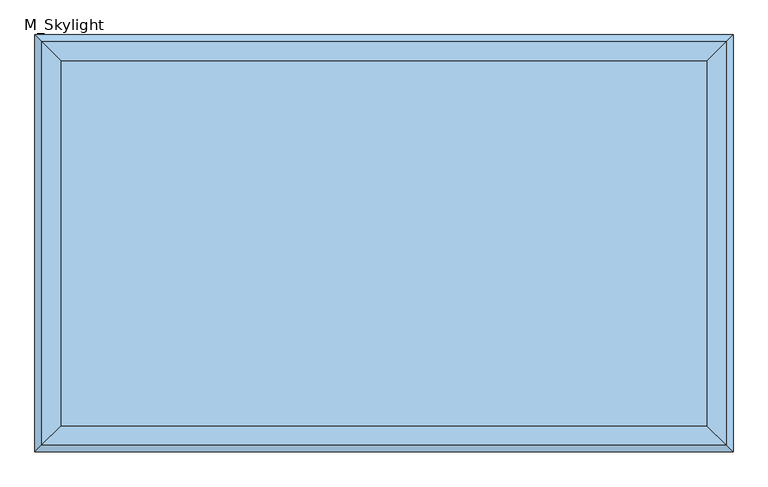
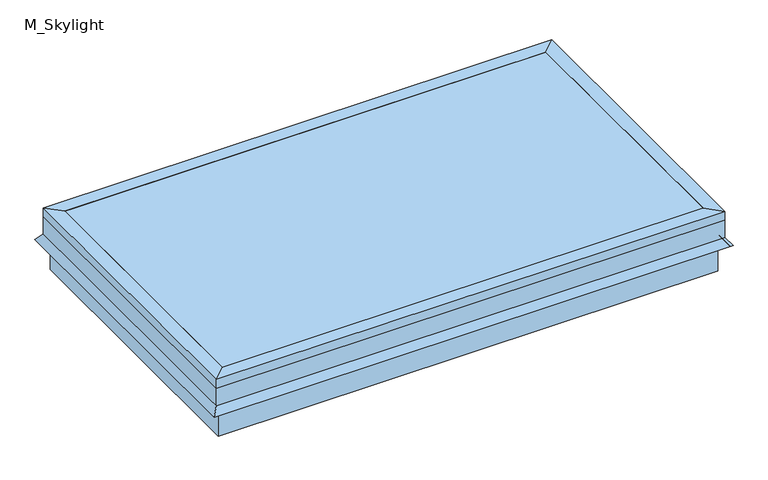
"""IFC4 building model written with IfcOpenShell, lengths in millimetres: window geometry, M_Skylight."""

import ifcopenshell
import ifcopenshell.guid

model = None  # the IFC model being written
_history = None  # IfcOwnerHistory: only IFC2X3 demands one
_inside = {}  # id of a spatial element -> (the spatial element, [elements in it])
_under = {}  # id of a project, library or spatial element -> (it, [spatial elements below it])
_declared = {}  # id of a project -> (the project, [libraries it declares])
_typed = {}  # id of a type object -> (the type object, [elements of that type])
_made_of = {}  # id of a material, layer set ... -> (it, [elements and type objects made of it])


def new_model(schema):
    """Start an empty IFC model of exactly this schema.

    Asked for "IFC4X3", IfcOpenShell would pick the latest addendum, in which some entities
    have other attributes; the version numbers below select the first issue.
    IFC2X3 requires an IfcOwnerHistory on every rooted entity: one is made here for all.
    """
    global model, _history
    if schema == "IFC4X3":
        model = ifcopenshell.file(schema_version=(4, 3, 0, 0))
    else:
        model = ifcopenshell.file(schema=schema)
    _inside.clear()
    _under.clear()
    _declared.clear()
    _typed.clear()
    _made_of.clear()
    _history = None
    if model.schema == "IFC2X3":
        org = make("IfcOrganization", Name="unknown")
        user = make(
            "IfcPersonAndOrganization",
            ThePerson=make("IfcPerson", FamilyName="unknown"),
            TheOrganization=org,
        )
        app = make(
            "IfcApplication",
            ApplicationDeveloper=org,
            Version="unknown",
            ApplicationFullName="unknown",
            ApplicationIdentifier="unknown",
        )
        _history = make(
            "IfcOwnerHistory",
            OwningUser=user,
            OwningApplication=app,
            ChangeAction="ADDED",
            CreationDate=0,
        )
    return model


def make(cls, **values):
    """One entity of the class cls with the attributes given. An attribute that is None is left unset."""
    return model.create_entity(
        cls, **{name: value for name, value in values.items() if value is not None}
    )


def rooted(cls, **values):
    """An entity with a GlobalId (a new one), such as an element, a storey or a relation."""
    return make(cls, GlobalId=ifcopenshell.guid.new(), OwnerHistory=_history, **values)


def si_unit(unit_type, name, prefix=None):
    """IfcSIUnit, for example si_unit("LENGTHUNIT", "METRE", prefix="MILLI")."""
    return make("IfcSIUnit", UnitType=unit_type, Prefix=prefix, Name=name)


def assignment(units):
    """IfcUnitAssignment: the units of a project."""
    return None if units is None else make("IfcUnitAssignment", Units=units)


def point(xyz):
    """IfcCartesianPoint."""
    return None if xyz is None else make("IfcCartesianPoint", Coordinates=xyz)


def direction(xyz):
    """IfcDirection."""
    return None if xyz is None else make("IfcDirection", DirectionRatios=xyz)


def frame(location, z_axis=None, x_axis=None):
    """IfcAxis2Placement3D, a coordinate frame: its origin and axes. An axis left out is left unset."""
    return make(
        "IfcAxis2Placement3D",
        Location=point(location),
        Axis=direction(z_axis),
        RefDirection=direction(x_axis),
    )


def origin():
    """The frame at (0, 0, 0) with its axes left unset."""
    return frame((0.0, 0.0, 0.0))


def place(relative_to, where):
    """IfcLocalPlacement: puts the frame where relative to a parent placement (None: the world)."""
    return make(
        "IfcLocalPlacement", PlacementRelTo=relative_to, RelativePlacement=where
    )


def context(
    kind, dimensions, precision=None, world=None, true_north=None, identifier=None
):
    """IfcGeometricRepresentationContext, for example the 3D "Model" context."""
    return make(
        "IfcGeometricRepresentationContext",
        ContextIdentifier=identifier,
        ContextType=kind,
        CoordinateSpaceDimension=dimensions,
        Precision=precision,
        WorldCoordinateSystem=world,
        TrueNorth=true_north,
    )


def project(units=None, contexts=None):
    """IfcProject with its units and contexts."""
    return rooted(
        "IfcProject",
        Name="project",
        RepresentationContexts=contexts,
        UnitsInContext=assignment(units),
    )


def spatial(cls, under=None, at=None, **own):
    """A site, building, storey or space (cls), placed at a placement, below another one or the project."""
    s = rooted(cls, ObjectPlacement=at, **own)
    if under is not None:
        _under.setdefault(under.id(), (under, []))[1].append(s)
    return s


def polyline(points):
    """IfcPolyline through the points."""
    return make("IfcPolyline", Points=[point(p) for p in points])


def outline(outer, holes=None, kind="AREA"):
    """IfcArbitraryClosedProfileDef: a profile drawn as a closed curve; with holes, ...WithVoids."""
    if holes is None:
        return make("IfcArbitraryClosedProfileDef", ProfileType=kind, OuterCurve=outer)
    return make(
        "IfcArbitraryProfileDefWithVoids",
        ProfileType=kind,
        OuterCurve=outer,
        InnerCurves=holes,
    )


def extrude(swept, where, along, depth):
    """IfcExtrudedAreaSolid: the profile swept, set in the frame where, extruded along a direction by depth."""
    return make(
        "IfcExtrudedAreaSolid",
        SweptArea=swept,
        Position=where,
        ExtrudedDirection=direction(along),
        Depth=depth,
    )


def faces_of(points, faces, orient=None, outer=None):
    """IfcFace entities. A face is a list of loops; a loop is a list of indices into points, from 0.

    orient and outer hold one flag for each loop. By default every Orientation is true, the
    first loop of a face is its IfcFaceOuterBound and the others are IfcFaceBound.
    """
    made = []
    for i, loops in enumerate(faces):
        bounds = []
        for j, loop in enumerate(loops):
            is_outer = j == 0 if outer is None else outer[i][j]
            bounds.append(
                make(
                    "IfcFaceOuterBound" if is_outer else "IfcFaceBound",
                    Bound=make("IfcPolyLoop", Polygon=[points[k] for k in loop]),
                    Orientation=True if orient is None else orient[i][j],
                )
            )
        made.append(make("IfcFace", Bounds=bounds))
    return made


def faceted_brep(points, faces, orient=None, outer=None, voids=None):
    """IfcFacetedBrep: a solid bounded by flat faces; with voids (closed shells), ...WithVoids."""
    shared = [point(p) for p in points]
    hull = make("IfcClosedShell", CfsFaces=faces_of(shared, faces, orient, outer))
    if voids is None:
        return make("IfcFacetedBrep", Outer=hull)
    return make(
        "IfcFacetedBrepWithVoids",
        Outer=hull,
        Voids=[
            make(cls, CfsFaces=faces_of(shared, fs, o, b)) for cls, fs, o, b in voids
        ],
    )


def shape(context_of_items, identifier, shape_type, items):
    """IfcShapeRepresentation: the items that make up one representation, for example the "Body"."""
    return make(
        "IfcShapeRepresentation",
        ContextOfItems=context_of_items,
        RepresentationIdentifier=identifier,
        RepresentationType=shape_type,
        Items=items,
    )


def source(mapping_origin, context_of_items, identifier, shape_type, items):
    """IfcRepresentationMap: a shape defined once, which mapped items show again and again."""
    return make(
        "IfcRepresentationMap",
        MappingOrigin=mapping_origin,
        MappedRepresentation=shape(context_of_items, identifier, shape_type, items),
    )


def transform(
    local_origin,
    x_axis=None,
    y_axis=None,
    z_axis=None,
    scale=None,
    scale2=None,
    scale3=None,
    uniform=True,
):
    """IfcCartesianTransformationOperator3D, or its non-uniform kind. x_axis, y_axis, z_axis: its Axis1, 2, 3."""
    if uniform:
        return make(
            "IfcCartesianTransformationOperator3D",
            Axis1=direction(x_axis),
            Axis2=direction(y_axis),
            LocalOrigin=point(local_origin),
            Scale=scale,
            Axis3=direction(z_axis),
        )
    return make(
        "IfcCartesianTransformationOperator3DnonUniform",
        Axis1=direction(x_axis),
        Axis2=direction(y_axis),
        LocalOrigin=point(local_origin),
        Scale=scale,
        Axis3=direction(z_axis),
        Scale2=scale2,
        Scale3=scale3,
    )


def mapped(mapping_source, mapping_target):
    """IfcMappedItem: shows the shape of a source again, moved by a transform."""
    return make(
        "IfcMappedItem", MappingSource=mapping_source, MappingTarget=mapping_target
    )


def made_of(thing, what):
    """Note that an element or type object is made of a material, layer set ...; save() writes the relation."""
    if what is not None:
        _made_of.setdefault(what.id(), (what, []))[1].append(thing)
    return thing


def element(
    cls,
    number,
    at=None,
    inside=None,
    cuts=None,
    type_object=None,
    material=None,
    context=None,
    identifier="Body",
    shape_type=None,
    held_by="IfcProductDefinitionShape",
    body=None,
    shapes=None,
    **own,
):
    """One element of the class cls, such as IfcWall. Its Tag is "e" and its number.

    at: its placement. inside: the storey or other place that contains it. cuts: it is an
    opening in that element (IfcRelVoidsElement). A single representation is given by context,
    identifier, shape_type and body (its items); several are given by shapes. held_by: the class
    of the entity that holds the representations. save() writes the other relations.
    """
    e = rooted(cls, Tag="e%d" % number, ObjectPlacement=at, **own)
    if body is not None:
        shapes = [shape(context, identifier, shape_type, body)]
    if shapes is not None:
        e.Representation = make(held_by, Representations=shapes)
    if inside is not None:
        _inside.setdefault(inside.id(), (inside, []))[1].append(e)
    if cuts is not None:
        rooted(
            "IfcRelVoidsElement", RelatingBuildingElement=cuts, RelatedOpeningElement=e
        )
    if type_object is not None:
        _typed.setdefault(type_object.id(), (type_object, []))[1].append(e)
    return made_of(e, material)


def aggregate(whole, parts):
    """IfcRelAggregates: a whole, such as a stair, and the parts it consists of."""
    return rooted("IfcRelAggregates", RelatingObject=whole, RelatedObjects=parts)


def save(model, path):
    """Write the relations noted so far, then the file.

    IfcRelAggregates (storeys below a building ...), IfcRelContainedInSpatialStructure (elements
    in a storey), IfcRelDefinesByType, IfcRelAssociatesMaterial and IfcRelDeclares: one each for
    every whole, place, type object, material and project.
    """
    for whole, parts in _under.values():
        aggregate(whole, parts)
    for where, things in _inside.values():
        rooted(
            "IfcRelContainedInSpatialStructure",
            RelatedElements=things,
            RelatingStructure=where,
        )
    for kind, things in _typed.values():
        rooted("IfcRelDefinesByType", RelatedObjects=things, RelatingType=kind)
    for what, things in _made_of.values():
        rooted("IfcRelAssociatesMaterial", RelatedObjects=things, RelatingMaterial=what)
    for by, libraries in _declared.values():
        rooted("IfcRelDeclares", RelatingContext=by, RelatedDefinitions=libraries)
    model.write(path)


def m_skylight_e2e85e78(model_context):
    return source(origin(), model_context, "Body", "SolidModel", [
        faceted_brep([(254.440073, 370.1040988, 4105.0), (279.840073, 395.5040988, 4105.0), (279.840073, -408.4959012, 4105.0), (254.440073, -383.0959012, 4105.0), (254.440073, 370.1040988, 4130.4), (254.440073, -383.0959012, 4130.4), (292.540073, 408.2040988, 4130.4), (292.540073, -421.1959012, 4130.4), (292.540073, 408.2040988, 4105.0), (292.540073, -421.1959012, 4105.0), (292.540073, 408.2040988, 4054.2), (292.540073, -421.1959012, 4054.2), (307.1089145, 422.7729403, 4033.3935381), (307.1089145, -435.7647427, 4033.3935381), (301.907299, 417.5713248, 4029.7513277), (301.907299, -430.5631272, 4029.7513277), (286.190073, 401.8540988, 4052.1978527), (286.190073, -414.8459012, 4052.1978527), (286.190073, 401.8540988, 4105.0), (286.190073, -414.8459012, 4105.0), (-1102.159927, -408.4959012, 4105.0), (-1076.759927, -383.0959012, 4105.0), (-1076.759927, -383.0959012, 4130.4), (-1114.859927, -421.1959012, 4130.4), (-1114.859927, -421.1959012, 4105.0), (-1114.859927, -421.1959012, 4054.2), (-1129.4287685, -435.7647427, 4033.3935381), (-1124.227153, -430.5631272, 4029.7513277), (-1108.509927, -414.8459012, 4052.1978527), (-1108.509927, -414.8459012, 4105.0), (-1102.159927, 395.5040988, 4105.0), (-1076.759927, 370.1040988, 4105.0), (-1076.759927, 370.1040988, 4130.4), (-1114.859927, 408.2040988, 4130.4), (-1114.859927, 408.2040988, 4105.0), (-1114.859927, 408.2040988, 4054.2), (-1129.4287685, 422.7729403, 4033.3935381), (-1124.227153, 417.5713248, 4029.7513277), (-1108.509927, 401.8540988, 4052.1978527), (-1108.509927, 401.8540988, 4105.0)], [[[0, 1, 2, 3]], [[4, 0, 3, 5]], [[6, 4, 5, 7]], [[8, 6, 7, 9]], [[10, 8, 9, 11]], [[12, 10, 11, 13]], [[14, 12, 13, 15]], [[16, 14, 15, 17]], [[18, 16, 17, 19]], [[1, 18, 19, 2]], [[3, 2, 20, 21]], [[5, 3, 21, 22]], [[7, 5, 22, 23]], [[9, 7, 23, 24]], [[11, 9, 24, 25]], [[13, 11, 25, 26]], [[15, 13, 26, 27]], [[17, 15, 27, 28]], [[19, 17, 28, 29]], [[2, 19, 29, 20]], [[21, 20, 30, 31]], [[22, 21, 31, 32]], [[23, 22, 32, 33]], [[24, 23, 33, 34]], [[25, 24, 34, 35]], [[26, 25, 35, 36]], [[27, 26, 36, 37]], [[28, 27, 37, 38]], [[29, 28, 38, 39]], [[20, 29, 39, 30]], [[31, 30, 1, 0]], [[32, 31, 0, 4]], [[33, 32, 4, 6]], [[34, 33, 6, 8]], [[35, 34, 8, 10]], [[36, 35, 10, 12]], [[37, 36, 12, 14]], [[38, 37, 14, 16]], [[39, 38, 16, 18]], [[30, 39, 18, 1]]]),
        faceted_brep([(279.840073, -408.4959012, 4105.0), (279.840073, -408.4959012, 3952.6), (279.840073, 395.5040988, 3952.6), (279.840073, 395.5040988, 4105.0), (254.440073, -383.0959012, 4105.0), (254.440073, 370.1040988, 4105.0), (254.440073, -383.0959012, 4079.6), (254.440073, 370.1040988, 4079.6), (235.390073, -364.0459012, 4079.6), (235.390073, 351.0540988, 4079.6), (235.390073, -364.0459012, 3952.6), (235.390073, 351.0540988, 3952.6), (-1102.159927, 395.5040988, 3952.6), (-1102.159927, 395.5040988, 4105.0), (-1076.759927, 370.1040988, 4105.0), (-1076.759927, 370.1040988, 4079.6), (-1057.709927, 351.0540988, 4079.6), (-1057.709927, 351.0540988, 3952.6), (-1102.159927, -408.4959012, 3952.6), (-1102.159927, -408.4959012, 4105.0), (-1076.759927, -383.0959012, 4105.0), (-1076.759927, -383.0959012, 4079.6), (-1057.709927, -364.0459012, 4079.6), (-1057.709927, -364.0459012, 3952.6)], [[[0, 1, 2, 3]], [[4, 0, 3, 5]], [[6, 4, 5, 7]], [[8, 6, 7, 9]], [[10, 8, 9, 11]], [[1, 10, 11, 2]], [[3, 2, 12, 13]], [[5, 3, 13, 14]], [[7, 5, 14, 15]], [[9, 7, 15, 16]], [[11, 9, 16, 17]], [[2, 11, 17, 12]], [[13, 12, 18, 19]], [[14, 13, 19, 20]], [[15, 14, 20, 21]], [[16, 15, 21, 22]], [[17, 16, 22, 23]], [[12, 17, 23, 18]], [[19, 18, 1, 0]], [[20, 19, 0, 4]], [[21, 20, 4, 6]], [[22, 21, 6, 8]], [[23, 22, 8, 10]], [[18, 23, 10, 1]]]),
        extrude(outline(polyline([(254.440073, -383.0959012), (-1076.759927, -383.0959012), (-1076.759927, 370.1040988), (254.440073, 370.1040988), (254.440073, -383.0959012)])), frame((0.0, 0.0, 4124.05), z_axis=(0.0, 0.0, 1.0), x_axis=(1.0, 0.0, 0.0)), (0.0, 0.0, 1.0), 6.35),
    ])


if __name__ == "__main__":
    model = new_model("IFC4")
    model_context = context("Model", 3, world=origin())
    ifc_project = project(units=[si_unit("LENGTHUNIT", "METRE", prefix="MILLI")], contexts=[model_context])
    site = spatial("IfcSite", under=ifc_project)
    building = spatial("IfcBuilding", under=site)
    placement = place(None, origin())
    m_skylight_shape = m_skylight_e2e85e78(model_context)
    element("IfcWindow", 1, ObjectType="M_Skylight", at=placement, inside=building, context=model_context, shape_type="MappedRepresentation", body=[
        mapped(m_skylight_shape, transform((0.0, 0.0, 0.0), x_axis=(1.0, 0.0, 0.0), y_axis=(0.0, 1.0, 0.0), z_axis=(0.0, 0.0, 1.0))),
    ])
    save(model, "model.ifc")
